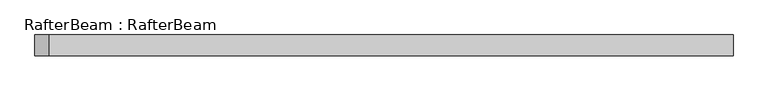
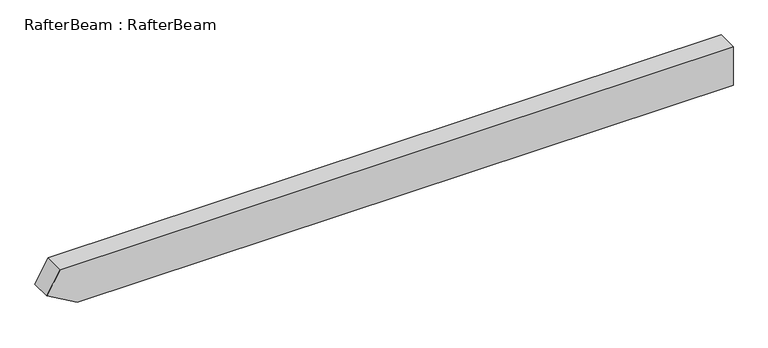
"""IFC4 building model written with IfcOpenShell, lengths in millimetres: beam geometry, RafterBeam : RafterBeam."""

from ifc_helpers import new_model, si_unit, frame, origin, place, context, project, spatial, polyline, outline, extrude, source, transform, mapped, element, save


def rafterbeam_rafterbeam_810e8440(model_context):
    return source(origin(), model_context, "Body", "SweptSolid", [
        extrude(outline(polyline([(50.0, 789.6466396), (50.0, -854.966366), (-6.6987298, -887.7013929), (-50.0, -812.7013929), (-50.0, 789.6466396), (50.0, 789.6466396)])), frame((0.0, -25.0, 0.0), z_axis=(0.0, 1.0, 0.0), x_axis=(0.0, 0.0, 1.0)), (0.0, 0.0, 1.0), 50.0),
    ])


if __name__ == "__main__":
    model = new_model("IFC4")
    model_context = context("Model", 3, world=origin())
    ifc_project = project(units=[si_unit("LENGTHUNIT", "METRE", prefix="MILLI")], contexts=[model_context])
    site = spatial("IfcSite", under=ifc_project)
    building = spatial("IfcBuilding", under=site)
    placement = place(None, origin())
    rafterbeam_rafterbeam_shape = rafterbeam_rafterbeam_810e8440(model_context)
    element("IfcBeam", 1, ObjectType="RafterBeam : RafterBeam", at=placement, inside=building, context=model_context, shape_type="MappedRepresentation", body=[
        mapped(rafterbeam_rafterbeam_shape, transform((0.0, 0.0, 0.0), x_axis=(1.0, 0.0, 0.0), y_axis=(0.0, 1.0, 0.0), z_axis=(0.0, 0.0, 1.0))),
    ])
    save(model, "model.ifc")
